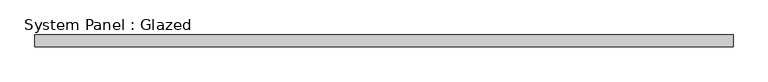
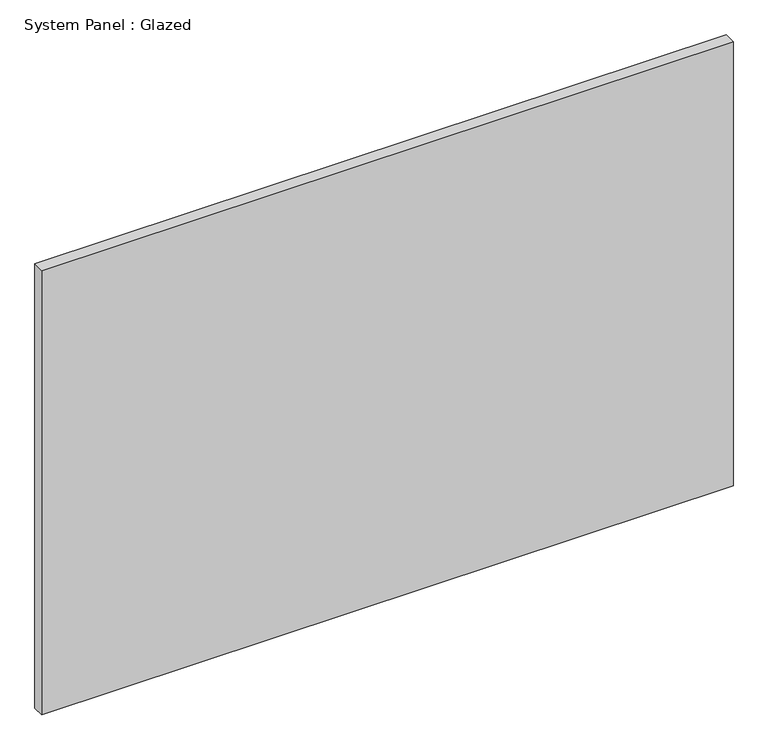
"""IFC4 building model written with IfcOpenShell, lengths in millimetres: plate geometry, System Panel : Glazed."""

from ifc_helpers import new_model, si_unit, origin, origin_with_axes, place, context, project, spatial, polyline, outline, extrude, source, transform, mapped, element, save


def system_panel_glazed_50ae33d6(model_context):
    return source(origin(), model_context, "Body", "SweptSolid", [
        extrude(outline(polyline([(744.2501096, 24.5), (-744.2501096, 24.5), (-744.2501096, 49.5), (744.2501096, 49.5), (744.2501096, 24.5)])), origin_with_axes(), (0.0, 0.0, 1.0), 1010.85),
    ])


if __name__ == "__main__":
    model = new_model("IFC4")
    model_context = context("Model", 3, world=origin())
    ifc_project = project(units=[si_unit("LENGTHUNIT", "METRE", prefix="MILLI")], contexts=[model_context])
    site = spatial("IfcSite", under=ifc_project)
    building = spatial("IfcBuilding", under=site)
    placement = place(None, origin())
    system_panel_glazed_shape = system_panel_glazed_50ae33d6(model_context)
    element("IfcPlate", 1, ObjectType="System Panel : Glazed", at=placement, inside=building, context=model_context, shape_type="MappedRepresentation", body=[
        mapped(system_panel_glazed_shape, transform((0.0, 0.0, 0.0), x_axis=(1.0, 0.0, 0.0), y_axis=(0.0, 1.0, 0.0), z_axis=(0.0, 0.0, 1.0))),
    ])
    save(model, "model.ifc")
